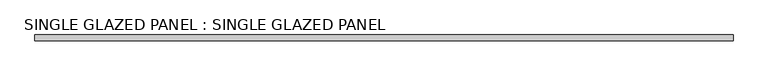
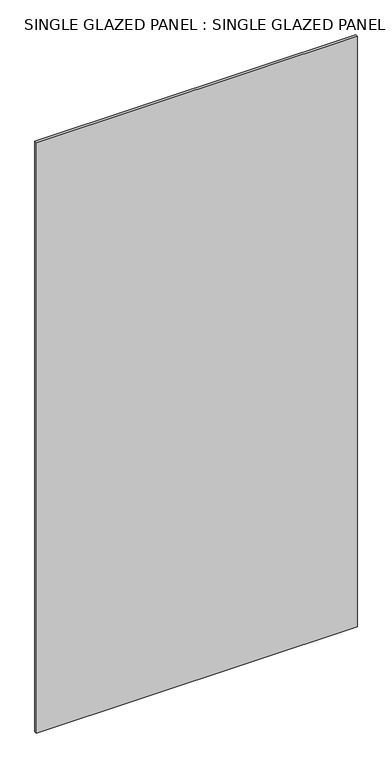
"""IFC4 building model written with IfcOpenShell, lengths in millimetres: plate geometry, SINGLE GLAZED PANEL : SINGLE GLAZED PANEL."""

import ifcopenshell
import ifcopenshell.guid

model = None  # the IFC model being written
_history = None  # IfcOwnerHistory: only IFC2X3 demands one
_inside = {}  # id of a spatial element -> (the spatial element, [elements in it])
_under = {}  # id of a project, library or spatial element -> (it, [spatial elements below it])
_declared = {}  # id of a project -> (the project, [libraries it declares])
_typed = {}  # id of a type object -> (the type object, [elements of that type])
_made_of = {}  # id of a material, layer set ... -> (it, [elements and type objects made of it])


def new_model(schema):
    """Start an empty IFC model of exactly this schema.

    Asked for "IFC4X3", IfcOpenShell would pick the latest addendum, in which some entities
    have other attributes; the version numbers below select the first issue.
    IFC2X3 requires an IfcOwnerHistory on every rooted entity: one is made here for all.
    """
    global model, _history
    if schema == "IFC4X3":
        model = ifcopenshell.file(schema_version=(4, 3, 0, 0))
    else:
        model = ifcopenshell.file(schema=schema)
    _inside.clear()
    _under.clear()
    _declared.clear()
    _typed.clear()
    _made_of.clear()
    _history = None
    if model.schema == "IFC2X3":
        org = make("IfcOrganization", Name="unknown")
        user = make(
            "IfcPersonAndOrganization",
            ThePerson=make("IfcPerson", FamilyName="unknown"),
            TheOrganization=org,
        )
        app = make(
            "IfcApplication",
            ApplicationDeveloper=org,
            Version="unknown",
            ApplicationFullName="unknown",
            ApplicationIdentifier="unknown",
        )
        _history = make(
            "IfcOwnerHistory",
            OwningUser=user,
            OwningApplication=app,
            ChangeAction="ADDED",
            CreationDate=0,
        )
    return model


def make(cls, **values):
    """One entity of the class cls with the attributes given. An attribute that is None is left unset."""
    return model.create_entity(
        cls, **{name: value for name, value in values.items() if value is not None}
    )


def rooted(cls, **values):
    """An entity with a GlobalId (a new one), such as an element, a storey or a relation."""
    return make(cls, GlobalId=ifcopenshell.guid.new(), OwnerHistory=_history, **values)


def si_unit(unit_type, name, prefix=None):
    """IfcSIUnit, for example si_unit("LENGTHUNIT", "METRE", prefix="MILLI")."""
    return make("IfcSIUnit", UnitType=unit_type, Prefix=prefix, Name=name)


def assignment(units):
    """IfcUnitAssignment: the units of a project."""
    return None if units is None else make("IfcUnitAssignment", Units=units)


def point(xyz):
    """IfcCartesianPoint."""
    return None if xyz is None else make("IfcCartesianPoint", Coordinates=xyz)


def direction(xyz):
    """IfcDirection."""
    return None if xyz is None else make("IfcDirection", DirectionRatios=xyz)


def frame(location, z_axis=None, x_axis=None):
    """IfcAxis2Placement3D, a coordinate frame: its origin and axes. An axis left out is left unset."""
    return make(
        "IfcAxis2Placement3D",
        Location=point(location),
        Axis=direction(z_axis),
        RefDirection=direction(x_axis),
    )


def origin():
    """The frame at (0, 0, 0) with its axes left unset."""
    return frame((0.0, 0.0, 0.0))


def origin_with_axes():
    """The frame at (0, 0, 0) with the z axis (0, 0, 1) and the x axis (1, 0, 0) written out."""
    return frame((0.0, 0.0, 0.0), z_axis=(0.0, 0.0, 1.0), x_axis=(1.0, 0.0, 0.0))


def place(relative_to, where):
    """IfcLocalPlacement: puts the frame where relative to a parent placement (None: the world)."""
    return make(
        "IfcLocalPlacement", PlacementRelTo=relative_to, RelativePlacement=where
    )


def context(
    kind, dimensions, precision=None, world=None, true_north=None, identifier=None
):
    """IfcGeometricRepresentationContext, for example the 3D "Model" context."""
    return make(
        "IfcGeometricRepresentationContext",
        ContextIdentifier=identifier,
        ContextType=kind,
        CoordinateSpaceDimension=dimensions,
        Precision=precision,
        WorldCoordinateSystem=world,
        TrueNorth=true_north,
    )


def project(units=None, contexts=None):
    """IfcProject with its units and contexts."""
    return rooted(
        "IfcProject",
        Name="project",
        RepresentationContexts=contexts,
        UnitsInContext=assignment(units),
    )


def spatial(cls, under=None, at=None, **own):
    """A site, building, storey or space (cls), placed at a placement, below another one or the project."""
    s = rooted(cls, ObjectPlacement=at, **own)
    if under is not None:
        _under.setdefault(under.id(), (under, []))[1].append(s)
    return s


def polyline(points):
    """IfcPolyline through the points."""
    return make("IfcPolyline", Points=[point(p) for p in points])


def outline(outer, holes=None, kind="AREA"):
    """IfcArbitraryClosedProfileDef: a profile drawn as a closed curve; with holes, ...WithVoids."""
    if holes is None:
        return make("IfcArbitraryClosedProfileDef", ProfileType=kind, OuterCurve=outer)
    return make(
        "IfcArbitraryProfileDefWithVoids",
        ProfileType=kind,
        OuterCurve=outer,
        InnerCurves=holes,
    )


def extrude(swept, where, along, depth):
    """IfcExtrudedAreaSolid: the profile swept, set in the frame where, extruded along a direction by depth."""
    return make(
        "IfcExtrudedAreaSolid",
        SweptArea=swept,
        Position=where,
        ExtrudedDirection=direction(along),
        Depth=depth,
    )


def shape(context_of_items, identifier, shape_type, items):
    """IfcShapeRepresentation: the items that make up one representation, for example the "Body"."""
    return make(
        "IfcShapeRepresentation",
        ContextOfItems=context_of_items,
        RepresentationIdentifier=identifier,
        RepresentationType=shape_type,
        Items=items,
    )


def source(mapping_origin, context_of_items, identifier, shape_type, items):
    """IfcRepresentationMap: a shape defined once, which mapped items show again and again."""
    return make(
        "IfcRepresentationMap",
        MappingOrigin=mapping_origin,
        MappedRepresentation=shape(context_of_items, identifier, shape_type, items),
    )


def transform(
    local_origin,
    x_axis=None,
    y_axis=None,
    z_axis=None,
    scale=None,
    scale2=None,
    scale3=None,
    uniform=True,
):
    """IfcCartesianTransformationOperator3D, or its non-uniform kind. x_axis, y_axis, z_axis: its Axis1, 2, 3."""
    if uniform:
        return make(
            "IfcCartesianTransformationOperator3D",
            Axis1=direction(x_axis),
            Axis2=direction(y_axis),
            LocalOrigin=point(local_origin),
            Scale=scale,
            Axis3=direction(z_axis),
        )
    return make(
        "IfcCartesianTransformationOperator3DnonUniform",
        Axis1=direction(x_axis),
        Axis2=direction(y_axis),
        LocalOrigin=point(local_origin),
        Scale=scale,
        Axis3=direction(z_axis),
        Scale2=scale2,
        Scale3=scale3,
    )


def mapped(mapping_source, mapping_target):
    """IfcMappedItem: shows the shape of a source again, moved by a transform."""
    return make(
        "IfcMappedItem", MappingSource=mapping_source, MappingTarget=mapping_target
    )


def made_of(thing, what):
    """Note that an element or type object is made of a material, layer set ...; save() writes the relation."""
    if what is not None:
        _made_of.setdefault(what.id(), (what, []))[1].append(thing)
    return thing


def element(
    cls,
    number,
    at=None,
    inside=None,
    cuts=None,
    type_object=None,
    material=None,
    context=None,
    identifier="Body",
    shape_type=None,
    held_by="IfcProductDefinitionShape",
    body=None,
    shapes=None,
    **own,
):
    """One element of the class cls, such as IfcWall. Its Tag is "e" and its number.

    at: its placement. inside: the storey or other place that contains it. cuts: it is an
    opening in that element (IfcRelVoidsElement). A single representation is given by context,
    identifier, shape_type and body (its items); several are given by shapes. held_by: the class
    of the entity that holds the representations. save() writes the other relations.
    """
    e = rooted(cls, Tag="e%d" % number, ObjectPlacement=at, **own)
    if body is not None:
        shapes = [shape(context, identifier, shape_type, body)]
    if shapes is not None:
        e.Representation = make(held_by, Representations=shapes)
    if inside is not None:
        _inside.setdefault(inside.id(), (inside, []))[1].append(e)
    if cuts is not None:
        rooted(
            "IfcRelVoidsElement", RelatingBuildingElement=cuts, RelatedOpeningElement=e
        )
    if type_object is not None:
        _typed.setdefault(type_object.id(), (type_object, []))[1].append(e)
    return made_of(e, material)


def aggregate(whole, parts):
    """IfcRelAggregates: a whole, such as a stair, and the parts it consists of."""
    return rooted("IfcRelAggregates", RelatingObject=whole, RelatedObjects=parts)


def save(model, path):
    """Write the relations noted so far, then the file.

    IfcRelAggregates (storeys below a building ...), IfcRelContainedInSpatialStructure (elements
    in a storey), IfcRelDefinesByType, IfcRelAssociatesMaterial and IfcRelDeclares: one each for
    every whole, place, type object, material and project.
    """
    for whole, parts in _under.values():
        aggregate(whole, parts)
    for where, things in _inside.values():
        rooted(
            "IfcRelContainedInSpatialStructure",
            RelatedElements=things,
            RelatingStructure=where,
        )
    for kind, things in _typed.values():
        rooted("IfcRelDefinesByType", RelatedObjects=things, RelatingType=kind)
    for what, things in _made_of.values():
        rooted("IfcRelAssociatesMaterial", RelatedObjects=things, RelatingMaterial=what)
    for by, libraries in _declared.values():
        rooted("IfcRelDeclares", RelatingContext=by, RelatedDefinitions=libraries)
    model.write(path)


def single_glazed_panel_single_glazed_panel_79b0a65a(model_context):
    return source(origin(), model_context, "Body", "SweptSolid", [
        extrude(outline(polyline([(781.05, 6.35), (781.05, -6.35), (-781.05, -6.35), (-781.05, 6.35), (781.05, 6.35)])), origin_with_axes(), (0.0, 0.0, 1.0), 3041.65),
    ])


if __name__ == "__main__":
    model = new_model("IFC4")
    model_context = context("Model", 3, world=origin())
    ifc_project = project(units=[si_unit("LENGTHUNIT", "METRE", prefix="MILLI")], contexts=[model_context])
    site = spatial("IfcSite", under=ifc_project)
    building = spatial("IfcBuilding", under=site)
    placement = place(None, origin())
    single_glazed_panel_single_glazed_panel_shape = single_glazed_panel_single_glazed_panel_79b0a65a(model_context)
    element("IfcPlate", 1, ObjectType="SINGLE GLAZED PANEL : SINGLE GLAZED PANEL", at=placement, inside=building, context=model_context, shape_type="MappedRepresentation", body=[
        mapped(single_glazed_panel_single_glazed_panel_shape, transform((0.0, 0.0, 0.0), x_axis=(1.0, 0.0, 0.0), y_axis=(0.0, 1.0, 0.0), z_axis=(0.0, 0.0, 1.0))),
    ])
    save(model, "model.ifc")
